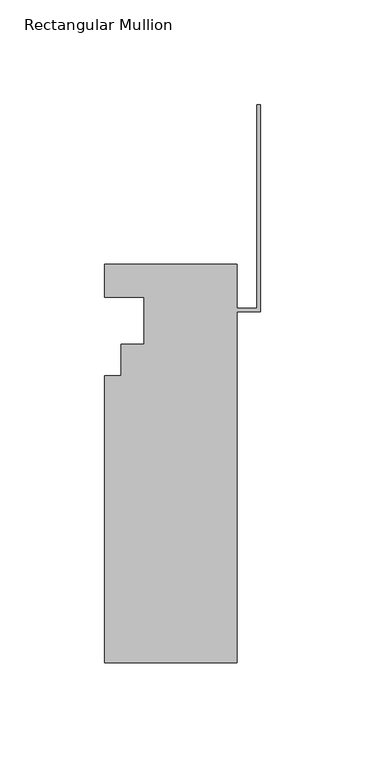
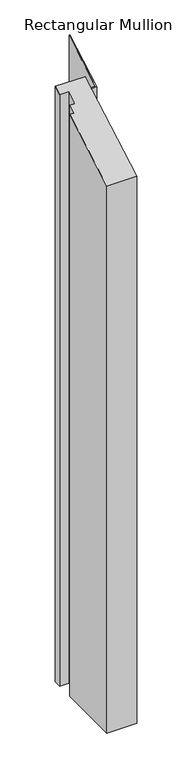
"""IFC4 building model written with IfcOpenShell, lengths in millimetres: member geometry, Rectangular Mullion."""

from ifc_helpers import new_model, si_unit, origin, place, context, project, spatial, faceted_brep, source, transform, mapped, element, save


def rectangular_mullion_c7d2f584(model_context):
    return source(origin(), model_context, "Body", "Brep", [
        faceted_brep([(-11.113262, -190.4007812, -1346.2), (-74.613262, -190.4007812, -1346.2), (-74.613262, -53.0629812, -1346.2), (-66.688462, -53.0629812, -1346.2), (-66.688462, -38.0007813, -1346.2), (-55.563262, -38.0007812, -1346.2), (-55.563262, -15.5217812, -1346.2), (-74.613262, -15.5217812, -1346.2), (-74.613262, 0.3532188, -1346.2), (-11.113262, 0.3532188, -1346.2), (-11.113262, -20.9065812, -1346.2), (-1.5748, -20.9065812, -1346.2), (-1.5748, 76.5843863, -1346.2), (0.0, 76.5843863, -1346.2), (0.0, -22.4813812, -1346.2), (-11.113262, -22.4813812, -1346.2), (-11.113262, -22.4813812, -12.9796315), (-11.113262, -190.4007812, -109.9279423), (0.0, -22.4813812, -12.9796315), (0.0, 76.5843863, 44.2160161), (-1.5748, 76.5843863, 44.2160161), (-1.5748, -20.9065812, -12.0704203), (-11.113262, -20.9065812, -12.0704203), (-11.113262, 0.3532188, 0.2039309), (-74.613262, 0.3532188, 0.2039309), (-74.613262, -15.5217812, -8.9615046), (-55.563262, -15.5217812, -8.9615046), (-55.563262, -38.0007812, -21.9397613), (-66.688462, -38.0007813, -21.9397613), (-66.688462, -53.0629812, -30.6359265), (-74.613262, -53.0629812, -30.6359265), (-74.613262, -190.4007812, -109.9279423)], [[[0, 1, 2, 3, 4, 5, 6, 7, 8, 9, 10, 11, 12, 13, 14, 15]], [[16, 17, 0, 15]], [[18, 16, 15, 14]], [[19, 18, 14, 13]], [[20, 19, 13, 12]], [[21, 20, 12, 11]], [[22, 21, 11, 10]], [[23, 22, 10, 9]], [[24, 23, 9, 8]], [[25, 24, 8, 7]], [[26, 25, 7, 6]], [[27, 26, 6, 5]], [[28, 27, 5, 4]], [[29, 28, 4, 3]], [[30, 29, 3, 2]], [[31, 30, 2, 1]], [[17, 31, 1, 0]], [[17, 16, 18, 19, 20, 21, 22, 23, 24, 25, 26, 27, 28, 29, 30, 31]]]),
    ])


if __name__ == "__main__":
    model = new_model("IFC4")
    model_context = context("Model", 3, world=origin())
    ifc_project = project(units=[si_unit("LENGTHUNIT", "METRE", prefix="MILLI")], contexts=[model_context])
    site = spatial("IfcSite", under=ifc_project)
    building = spatial("IfcBuilding", under=site)
    placement = place(None, origin())
    rectangular_mullion_shape = rectangular_mullion_c7d2f584(model_context)
    element("IfcMember", 1, ObjectType="Rectangular Mullion", at=placement, inside=building, context=model_context, shape_type="MappedRepresentation", body=[
        mapped(rectangular_mullion_shape, transform((0.0, 0.0, 0.0), x_axis=(1.0, 0.0, 0.0), y_axis=(0.0, 1.0, 0.0), z_axis=(0.0, 0.0, 1.0))),
    ])
    save(model, "model.ifc")
